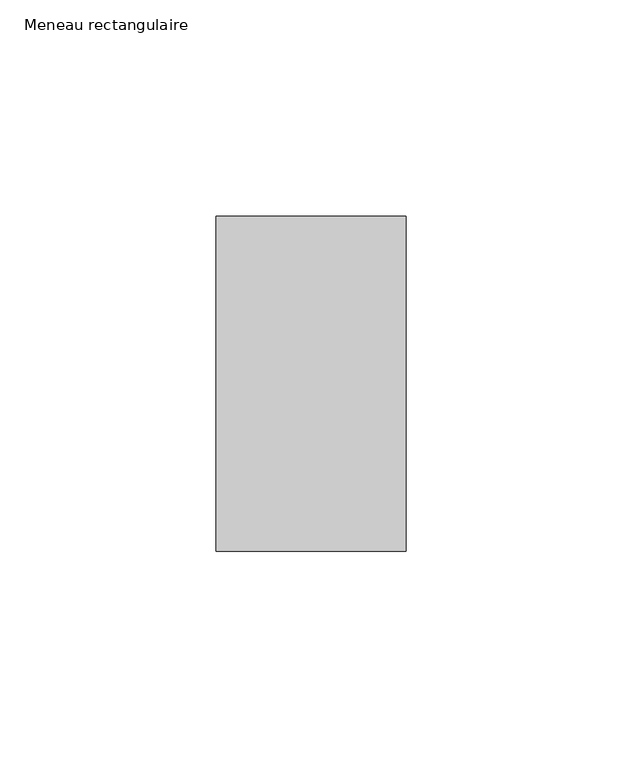
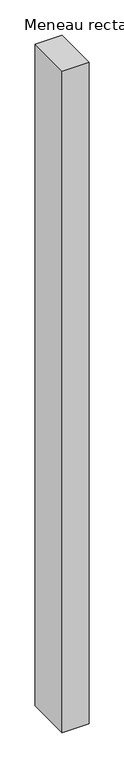
"""IFC4 building model written with IfcOpenShell, lengths in millimetres: member geometry, Meneau rectangulaire."""

import ifcopenshell
import ifcopenshell.guid

model = None  # the IFC model being written
_history = None  # IfcOwnerHistory: only IFC2X3 demands one
_inside = {}  # id of a spatial element -> (the spatial element, [elements in it])
_under = {}  # id of a project, library or spatial element -> (it, [spatial elements below it])
_declared = {}  # id of a project -> (the project, [libraries it declares])
_typed = {}  # id of a type object -> (the type object, [elements of that type])
_made_of = {}  # id of a material, layer set ... -> (it, [elements and type objects made of it])


def new_model(schema):
    """Start an empty IFC model of exactly this schema.

    Asked for "IFC4X3", IfcOpenShell would pick the latest addendum, in which some entities
    have other attributes; the version numbers below select the first issue.
    IFC2X3 requires an IfcOwnerHistory on every rooted entity: one is made here for all.
    """
    global model, _history
    if schema == "IFC4X3":
        model = ifcopenshell.file(schema_version=(4, 3, 0, 0))
    else:
        model = ifcopenshell.file(schema=schema)
    _inside.clear()
    _under.clear()
    _declared.clear()
    _typed.clear()
    _made_of.clear()
    _history = None
    if model.schema == "IFC2X3":
        org = make("IfcOrganization", Name="unknown")
        user = make(
            "IfcPersonAndOrganization",
            ThePerson=make("IfcPerson", FamilyName="unknown"),
            TheOrganization=org,
        )
        app = make(
            "IfcApplication",
            ApplicationDeveloper=org,
            Version="unknown",
            ApplicationFullName="unknown",
            ApplicationIdentifier="unknown",
        )
        _history = make(
            "IfcOwnerHistory",
            OwningUser=user,
            OwningApplication=app,
            ChangeAction="ADDED",
            CreationDate=0,
        )
    return model


def make(cls, **values):
    """One entity of the class cls with the attributes given. An attribute that is None is left unset."""
    return model.create_entity(
        cls, **{name: value for name, value in values.items() if value is not None}
    )


def rooted(cls, **values):
    """An entity with a GlobalId (a new one), such as an element, a storey or a relation."""
    return make(cls, GlobalId=ifcopenshell.guid.new(), OwnerHistory=_history, **values)


def si_unit(unit_type, name, prefix=None):
    """IfcSIUnit, for example si_unit("LENGTHUNIT", "METRE", prefix="MILLI")."""
    return make("IfcSIUnit", UnitType=unit_type, Prefix=prefix, Name=name)


def assignment(units):
    """IfcUnitAssignment: the units of a project."""
    return None if units is None else make("IfcUnitAssignment", Units=units)


def point(xyz):
    """IfcCartesianPoint."""
    return None if xyz is None else make("IfcCartesianPoint", Coordinates=xyz)


def direction(xyz):
    """IfcDirection."""
    return None if xyz is None else make("IfcDirection", DirectionRatios=xyz)


def frame(location, z_axis=None, x_axis=None):
    """IfcAxis2Placement3D, a coordinate frame: its origin and axes. An axis left out is left unset."""
    return make(
        "IfcAxis2Placement3D",
        Location=point(location),
        Axis=direction(z_axis),
        RefDirection=direction(x_axis),
    )


def origin():
    """The frame at (0, 0, 0) with its axes left unset."""
    return frame((0.0, 0.0, 0.0))


def place(relative_to, where):
    """IfcLocalPlacement: puts the frame where relative to a parent placement (None: the world)."""
    return make(
        "IfcLocalPlacement", PlacementRelTo=relative_to, RelativePlacement=where
    )


def context(
    kind, dimensions, precision=None, world=None, true_north=None, identifier=None
):
    """IfcGeometricRepresentationContext, for example the 3D "Model" context."""
    return make(
        "IfcGeometricRepresentationContext",
        ContextIdentifier=identifier,
        ContextType=kind,
        CoordinateSpaceDimension=dimensions,
        Precision=precision,
        WorldCoordinateSystem=world,
        TrueNorth=true_north,
    )


def project(units=None, contexts=None):
    """IfcProject with its units and contexts."""
    return rooted(
        "IfcProject",
        Name="project",
        RepresentationContexts=contexts,
        UnitsInContext=assignment(units),
    )


def spatial(cls, under=None, at=None, **own):
    """A site, building, storey or space (cls), placed at a placement, below another one or the project."""
    s = rooted(cls, ObjectPlacement=at, **own)
    if under is not None:
        _under.setdefault(under.id(), (under, []))[1].append(s)
    return s


def polyline(points):
    """IfcPolyline through the points."""
    return make("IfcPolyline", Points=[point(p) for p in points])


def outline(outer, holes=None, kind="AREA"):
    """IfcArbitraryClosedProfileDef: a profile drawn as a closed curve; with holes, ...WithVoids."""
    if holes is None:
        return make("IfcArbitraryClosedProfileDef", ProfileType=kind, OuterCurve=outer)
    return make(
        "IfcArbitraryProfileDefWithVoids",
        ProfileType=kind,
        OuterCurve=outer,
        InnerCurves=holes,
    )


def extrude(swept, where, along, depth):
    """IfcExtrudedAreaSolid: the profile swept, set in the frame where, extruded along a direction by depth."""
    return make(
        "IfcExtrudedAreaSolid",
        SweptArea=swept,
        Position=where,
        ExtrudedDirection=direction(along),
        Depth=depth,
    )


def shape(context_of_items, identifier, shape_type, items):
    """IfcShapeRepresentation: the items that make up one representation, for example the "Body"."""
    return make(
        "IfcShapeRepresentation",
        ContextOfItems=context_of_items,
        RepresentationIdentifier=identifier,
        RepresentationType=shape_type,
        Items=items,
    )


def source(mapping_origin, context_of_items, identifier, shape_type, items):
    """IfcRepresentationMap: a shape defined once, which mapped items show again and again."""
    return make(
        "IfcRepresentationMap",
        MappingOrigin=mapping_origin,
        MappedRepresentation=shape(context_of_items, identifier, shape_type, items),
    )


def transform(
    local_origin,
    x_axis=None,
    y_axis=None,
    z_axis=None,
    scale=None,
    scale2=None,
    scale3=None,
    uniform=True,
):
    """IfcCartesianTransformationOperator3D, or its non-uniform kind. x_axis, y_axis, z_axis: its Axis1, 2, 3."""
    if uniform:
        return make(
            "IfcCartesianTransformationOperator3D",
            Axis1=direction(x_axis),
            Axis2=direction(y_axis),
            LocalOrigin=point(local_origin),
            Scale=scale,
            Axis3=direction(z_axis),
        )
    return make(
        "IfcCartesianTransformationOperator3DnonUniform",
        Axis1=direction(x_axis),
        Axis2=direction(y_axis),
        LocalOrigin=point(local_origin),
        Scale=scale,
        Axis3=direction(z_axis),
        Scale2=scale2,
        Scale3=scale3,
    )


def mapped(mapping_source, mapping_target):
    """IfcMappedItem: shows the shape of a source again, moved by a transform."""
    return make(
        "IfcMappedItem", MappingSource=mapping_source, MappingTarget=mapping_target
    )


def made_of(thing, what):
    """Note that an element or type object is made of a material, layer set ...; save() writes the relation."""
    if what is not None:
        _made_of.setdefault(what.id(), (what, []))[1].append(thing)
    return thing


def element(
    cls,
    number,
    at=None,
    inside=None,
    cuts=None,
    type_object=None,
    material=None,
    context=None,
    identifier="Body",
    shape_type=None,
    held_by="IfcProductDefinitionShape",
    body=None,
    shapes=None,
    **own,
):
    """One element of the class cls, such as IfcWall. Its Tag is "e" and its number.

    at: its placement. inside: the storey or other place that contains it. cuts: it is an
    opening in that element (IfcRelVoidsElement). A single representation is given by context,
    identifier, shape_type and body (its items); several are given by shapes. held_by: the class
    of the entity that holds the representations. save() writes the other relations.
    """
    e = rooted(cls, Tag="e%d" % number, ObjectPlacement=at, **own)
    if body is not None:
        shapes = [shape(context, identifier, shape_type, body)]
    if shapes is not None:
        e.Representation = make(held_by, Representations=shapes)
    if inside is not None:
        _inside.setdefault(inside.id(), (inside, []))[1].append(e)
    if cuts is not None:
        rooted(
            "IfcRelVoidsElement", RelatingBuildingElement=cuts, RelatedOpeningElement=e
        )
    if type_object is not None:
        _typed.setdefault(type_object.id(), (type_object, []))[1].append(e)
    return made_of(e, material)


def aggregate(whole, parts):
    """IfcRelAggregates: a whole, such as a stair, and the parts it consists of."""
    return rooted("IfcRelAggregates", RelatingObject=whole, RelatedObjects=parts)


def save(model, path):
    """Write the relations noted so far, then the file.

    IfcRelAggregates (storeys below a building ...), IfcRelContainedInSpatialStructure (elements
    in a storey), IfcRelDefinesByType, IfcRelAssociatesMaterial and IfcRelDeclares: one each for
    every whole, place, type object, material and project.
    """
    for whole, parts in _under.values():
        aggregate(whole, parts)
    for where, things in _inside.values():
        rooted(
            "IfcRelContainedInSpatialStructure",
            RelatedElements=things,
            RelatingStructure=where,
        )
    for kind, things in _typed.values():
        rooted("IfcRelDefinesByType", RelatedObjects=things, RelatingType=kind)
    for what, things in _made_of.values():
        rooted("IfcRelAssociatesMaterial", RelatedObjects=things, RelatingMaterial=what)
    for by, libraries in _declared.values():
        rooted("IfcRelDeclares", RelatingContext=by, RelatedDefinitions=libraries)
    model.write(path)


def meneau_rectangulaire_37052904(model_context):
    return source(origin(), model_context, "Body", "SweptSolid", [
        extrude(outline(polyline([(-44.0, 38.75), (0.0, 38.75), (0.0, -38.75), (-44.0, -38.75), (-44.0, 38.75)])), frame((0.0, 0.0, -1147.5357145), z_axis=(0.0, 0.0, 1.0), x_axis=(1.0, 0.0, 0.0)), (0.0, 0.0, 1.0), 1147.5357145),
    ])


if __name__ == "__main__":
    model = new_model("IFC4")
    model_context = context("Model", 3, world=origin())
    ifc_project = project(units=[si_unit("LENGTHUNIT", "METRE", prefix="MILLI")], contexts=[model_context])
    site = spatial("IfcSite", under=ifc_project)
    building = spatial("IfcBuilding", under=site)
    placement = place(None, origin())
    meneau_rectangulaire_shape = meneau_rectangulaire_37052904(model_context)
    element("IfcMember", 1, ObjectType="Meneau rectangulaire", at=placement, inside=building, context=model_context, shape_type="MappedRepresentation", body=[
        mapped(meneau_rectangulaire_shape, transform((0.0, 0.0, 0.0), x_axis=(1.0, 0.0, 0.0), y_axis=(0.0, 1.0, 0.0), z_axis=(0.0, 0.0, 1.0))),
    ])
    save(model, "model.ifc")
